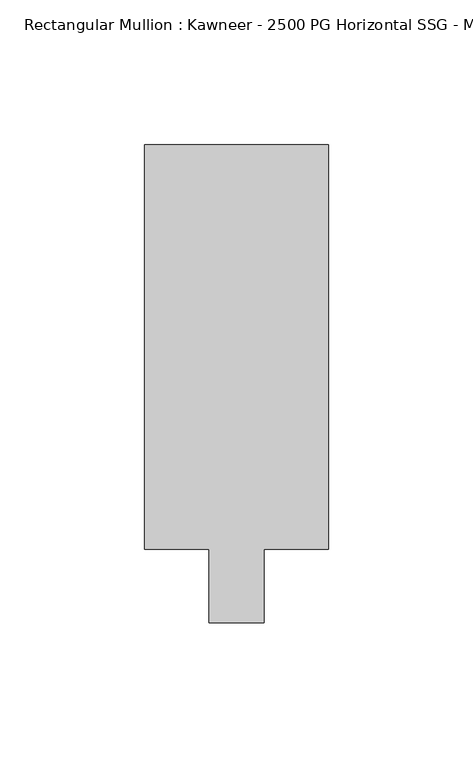
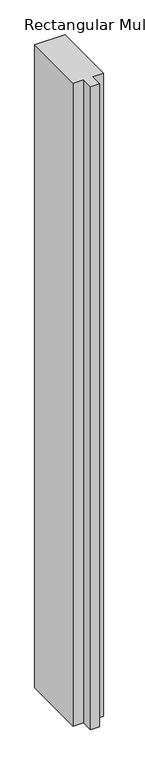
"""IFC4 building model written with IfcOpenShell, lengths in millimetres: member geometry, Rectangular Mullion : Kawneer - 2500 PG Horizontal SSG - Mullion_Horizontal."""

import ifcopenshell
import ifcopenshell.guid

model = None  # the IFC model being written
_history = None  # IfcOwnerHistory: only IFC2X3 demands one
_inside = {}  # id of a spatial element -> (the spatial element, [elements in it])
_under = {}  # id of a project, library or spatial element -> (it, [spatial elements below it])
_declared = {}  # id of a project -> (the project, [libraries it declares])
_typed = {}  # id of a type object -> (the type object, [elements of that type])
_made_of = {}  # id of a material, layer set ... -> (it, [elements and type objects made of it])


def new_model(schema):
    """Start an empty IFC model of exactly this schema.

    Asked for "IFC4X3", IfcOpenShell would pick the latest addendum, in which some entities
    have other attributes; the version numbers below select the first issue.
    IFC2X3 requires an IfcOwnerHistory on every rooted entity: one is made here for all.
    """
    global model, _history
    if schema == "IFC4X3":
        model = ifcopenshell.file(schema_version=(4, 3, 0, 0))
    else:
        model = ifcopenshell.file(schema=schema)
    _inside.clear()
    _under.clear()
    _declared.clear()
    _typed.clear()
    _made_of.clear()
    _history = None
    if model.schema == "IFC2X3":
        org = make("IfcOrganization", Name="unknown")
        user = make(
            "IfcPersonAndOrganization",
            ThePerson=make("IfcPerson", FamilyName="unknown"),
            TheOrganization=org,
        )
        app = make(
            "IfcApplication",
            ApplicationDeveloper=org,
            Version="unknown",
            ApplicationFullName="unknown",
            ApplicationIdentifier="unknown",
        )
        _history = make(
            "IfcOwnerHistory",
            OwningUser=user,
            OwningApplication=app,
            ChangeAction="ADDED",
            CreationDate=0,
        )
    return model


def make(cls, **values):
    """One entity of the class cls with the attributes given. An attribute that is None is left unset."""
    return model.create_entity(
        cls, **{name: value for name, value in values.items() if value is not None}
    )


def rooted(cls, **values):
    """An entity with a GlobalId (a new one), such as an element, a storey or a relation."""
    return make(cls, GlobalId=ifcopenshell.guid.new(), OwnerHistory=_history, **values)


def si_unit(unit_type, name, prefix=None):
    """IfcSIUnit, for example si_unit("LENGTHUNIT", "METRE", prefix="MILLI")."""
    return make("IfcSIUnit", UnitType=unit_type, Prefix=prefix, Name=name)


def assignment(units):
    """IfcUnitAssignment: the units of a project."""
    return None if units is None else make("IfcUnitAssignment", Units=units)


def point(xyz):
    """IfcCartesianPoint."""
    return None if xyz is None else make("IfcCartesianPoint", Coordinates=xyz)


def direction(xyz):
    """IfcDirection."""
    return None if xyz is None else make("IfcDirection", DirectionRatios=xyz)


def frame(location, z_axis=None, x_axis=None):
    """IfcAxis2Placement3D, a coordinate frame: its origin and axes. An axis left out is left unset."""
    return make(
        "IfcAxis2Placement3D",
        Location=point(location),
        Axis=direction(z_axis),
        RefDirection=direction(x_axis),
    )


def origin():
    """The frame at (0, 0, 0) with its axes left unset."""
    return frame((0.0, 0.0, 0.0))


def place(relative_to, where):
    """IfcLocalPlacement: puts the frame where relative to a parent placement (None: the world)."""
    return make(
        "IfcLocalPlacement", PlacementRelTo=relative_to, RelativePlacement=where
    )


def context(
    kind, dimensions, precision=None, world=None, true_north=None, identifier=None
):
    """IfcGeometricRepresentationContext, for example the 3D "Model" context."""
    return make(
        "IfcGeometricRepresentationContext",
        ContextIdentifier=identifier,
        ContextType=kind,
        CoordinateSpaceDimension=dimensions,
        Precision=precision,
        WorldCoordinateSystem=world,
        TrueNorth=true_north,
    )


def project(units=None, contexts=None):
    """IfcProject with its units and contexts."""
    return rooted(
        "IfcProject",
        Name="project",
        RepresentationContexts=contexts,
        UnitsInContext=assignment(units),
    )


def spatial(cls, under=None, at=None, **own):
    """A site, building, storey or space (cls), placed at a placement, below another one or the project."""
    s = rooted(cls, ObjectPlacement=at, **own)
    if under is not None:
        _under.setdefault(under.id(), (under, []))[1].append(s)
    return s


def polyline(points):
    """IfcPolyline through the points."""
    return make("IfcPolyline", Points=[point(p) for p in points])


def outline(outer, holes=None, kind="AREA"):
    """IfcArbitraryClosedProfileDef: a profile drawn as a closed curve; with holes, ...WithVoids."""
    if holes is None:
        return make("IfcArbitraryClosedProfileDef", ProfileType=kind, OuterCurve=outer)
    return make(
        "IfcArbitraryProfileDefWithVoids",
        ProfileType=kind,
        OuterCurve=outer,
        InnerCurves=holes,
    )


def extrude(swept, where, along, depth):
    """IfcExtrudedAreaSolid: the profile swept, set in the frame where, extruded along a direction by depth."""
    return make(
        "IfcExtrudedAreaSolid",
        SweptArea=swept,
        Position=where,
        ExtrudedDirection=direction(along),
        Depth=depth,
    )


def shape(context_of_items, identifier, shape_type, items):
    """IfcShapeRepresentation: the items that make up one representation, for example the "Body"."""
    return make(
        "IfcShapeRepresentation",
        ContextOfItems=context_of_items,
        RepresentationIdentifier=identifier,
        RepresentationType=shape_type,
        Items=items,
    )


def source(mapping_origin, context_of_items, identifier, shape_type, items):
    """IfcRepresentationMap: a shape defined once, which mapped items show again and again."""
    return make(
        "IfcRepresentationMap",
        MappingOrigin=mapping_origin,
        MappedRepresentation=shape(context_of_items, identifier, shape_type, items),
    )


def transform(
    local_origin,
    x_axis=None,
    y_axis=None,
    z_axis=None,
    scale=None,
    scale2=None,
    scale3=None,
    uniform=True,
):
    """IfcCartesianTransformationOperator3D, or its non-uniform kind. x_axis, y_axis, z_axis: its Axis1, 2, 3."""
    if uniform:
        return make(
            "IfcCartesianTransformationOperator3D",
            Axis1=direction(x_axis),
            Axis2=direction(y_axis),
            LocalOrigin=point(local_origin),
            Scale=scale,
            Axis3=direction(z_axis),
        )
    return make(
        "IfcCartesianTransformationOperator3DnonUniform",
        Axis1=direction(x_axis),
        Axis2=direction(y_axis),
        LocalOrigin=point(local_origin),
        Scale=scale,
        Axis3=direction(z_axis),
        Scale2=scale2,
        Scale3=scale3,
    )


def mapped(mapping_source, mapping_target):
    """IfcMappedItem: shows the shape of a source again, moved by a transform."""
    return make(
        "IfcMappedItem", MappingSource=mapping_source, MappingTarget=mapping_target
    )


def made_of(thing, what):
    """Note that an element or type object is made of a material, layer set ...; save() writes the relation."""
    if what is not None:
        _made_of.setdefault(what.id(), (what, []))[1].append(thing)
    return thing


def element(
    cls,
    number,
    at=None,
    inside=None,
    cuts=None,
    type_object=None,
    material=None,
    context=None,
    identifier="Body",
    shape_type=None,
    held_by="IfcProductDefinitionShape",
    body=None,
    shapes=None,
    **own,
):
    """One element of the class cls, such as IfcWall. Its Tag is "e" and its number.

    at: its placement. inside: the storey or other place that contains it. cuts: it is an
    opening in that element (IfcRelVoidsElement). A single representation is given by context,
    identifier, shape_type and body (its items); several are given by shapes. held_by: the class
    of the entity that holds the representations. save() writes the other relations.
    """
    e = rooted(cls, Tag="e%d" % number, ObjectPlacement=at, **own)
    if body is not None:
        shapes = [shape(context, identifier, shape_type, body)]
    if shapes is not None:
        e.Representation = make(held_by, Representations=shapes)
    if inside is not None:
        _inside.setdefault(inside.id(), (inside, []))[1].append(e)
    if cuts is not None:
        rooted(
            "IfcRelVoidsElement", RelatingBuildingElement=cuts, RelatedOpeningElement=e
        )
    if type_object is not None:
        _typed.setdefault(type_object.id(), (type_object, []))[1].append(e)
    return made_of(e, material)


def aggregate(whole, parts):
    """IfcRelAggregates: a whole, such as a stair, and the parts it consists of."""
    return rooted("IfcRelAggregates", RelatingObject=whole, RelatedObjects=parts)


def save(model, path):
    """Write the relations noted so far, then the file.

    IfcRelAggregates (storeys below a building ...), IfcRelContainedInSpatialStructure (elements
    in a storey), IfcRelDefinesByType, IfcRelAssociatesMaterial and IfcRelDeclares: one each for
    every whole, place, type object, material and project.
    """
    for whole, parts in _under.values():
        aggregate(whole, parts)
    for where, things in _inside.values():
        rooted(
            "IfcRelContainedInSpatialStructure",
            RelatedElements=things,
            RelatingStructure=where,
        )
    for kind, things in _typed.values():
        rooted("IfcRelDefinesByType", RelatedObjects=things, RelatingType=kind)
    for what, things in _made_of.values():
        rooted("IfcRelAssociatesMaterial", RelatedObjects=things, RelatingMaterial=what)
    for by, libraries in _declared.values():
        rooted("IfcRelDeclares", RelatingContext=by, RelatedDefinitions=libraries)
    model.write(path)


def rectangular_mullion_kawneer_2500_pg_horizontal_ssg_mullion_2232923a(model_context):
    return source(origin(), model_context, "Body", "SweptSolid", [
        extrude(outline(polyline([(-9.525, -69.85), (-9.525, -44.45), (-31.75, -44.45), (-31.75, 95.25), (31.75, 95.25), (31.75, -44.45), (9.525, -44.45), (9.525, -69.85), (-9.525, -69.85)])), frame((0.0, 0.0, -1427.6898248), z_axis=(0.0, 0.0, 1.0), x_axis=(1.0, 0.0, 0.0)), (0.0, 0.0, 1.0), 1427.6898248),
    ])


if __name__ == "__main__":
    model = new_model("IFC4")
    model_context = context("Model", 3, world=origin())
    ifc_project = project(units=[si_unit("LENGTHUNIT", "METRE", prefix="MILLI")], contexts=[model_context])
    site = spatial("IfcSite", under=ifc_project)
    building = spatial("IfcBuilding", under=site)
    placement = place(None, origin())
    rectangular_mullion_kawneer_2500_pg_horizontal_ssg_mullion_shape = rectangular_mullion_kawneer_2500_pg_horizontal_ssg_mullion_2232923a(model_context)
    element("IfcMember", 1, ObjectType="Rectangular Mullion : Kawneer - 2500 PG Horizontal SSG - Mullion_Horizontal", at=placement, inside=building, context=model_context, shape_type="MappedRepresentation", body=[
        mapped(rectangular_mullion_kawneer_2500_pg_horizontal_ssg_mullion_shape, transform((0.0, 0.0, 0.0), x_axis=(1.0, 0.0, 0.0), y_axis=(0.0, 1.0, 0.0), z_axis=(0.0, 0.0, 1.0))),
    ])
    save(model, "model.ifc")
